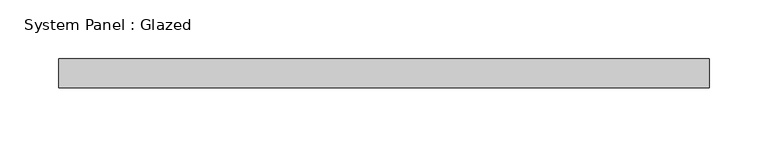
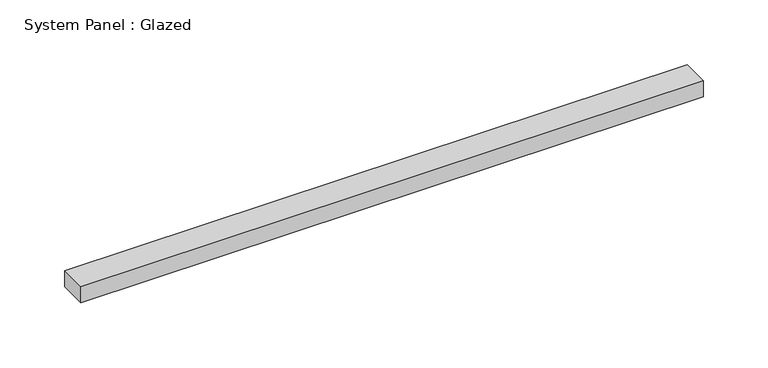
"""IFC4 building model written with IfcOpenShell, lengths in millimetres: plate geometry, System Panel : Glazed."""

from ifc_helpers import new_model, si_unit, origin, origin_with_axes, place, context, project, spatial, polyline, outline, extrude, source, transform, mapped, element, save


def system_panel_glazed_a8442276(model_context):
    return source(origin(), model_context, "Body", "SweptSolid", [
        extrude(outline(polyline([(277.5, -49.5), (-277.5, -49.5), (-277.5, -24.5), (277.5, -24.5), (277.5, -49.5)])), origin_with_axes(), (0.0, 0.0, 1.0), 15.0),
    ])


if __name__ == "__main__":
    model = new_model("IFC4")
    model_context = context("Model", 3, world=origin())
    ifc_project = project(units=[si_unit("LENGTHUNIT", "METRE", prefix="MILLI")], contexts=[model_context])
    site = spatial("IfcSite", under=ifc_project)
    building = spatial("IfcBuilding", under=site)
    placement = place(None, origin())
    system_panel_glazed_shape = system_panel_glazed_a8442276(model_context)
    element("IfcPlate", 1, ObjectType="System Panel : Glazed", at=placement, inside=building, context=model_context, shape_type="MappedRepresentation", body=[
        mapped(system_panel_glazed_shape, transform((0.0, 0.0, 0.0), x_axis=(1.0, 0.0, 0.0), y_axis=(0.0, 1.0, 0.0), z_axis=(0.0, 0.0, 1.0))),
    ])
    save(model, "model.ifc")
